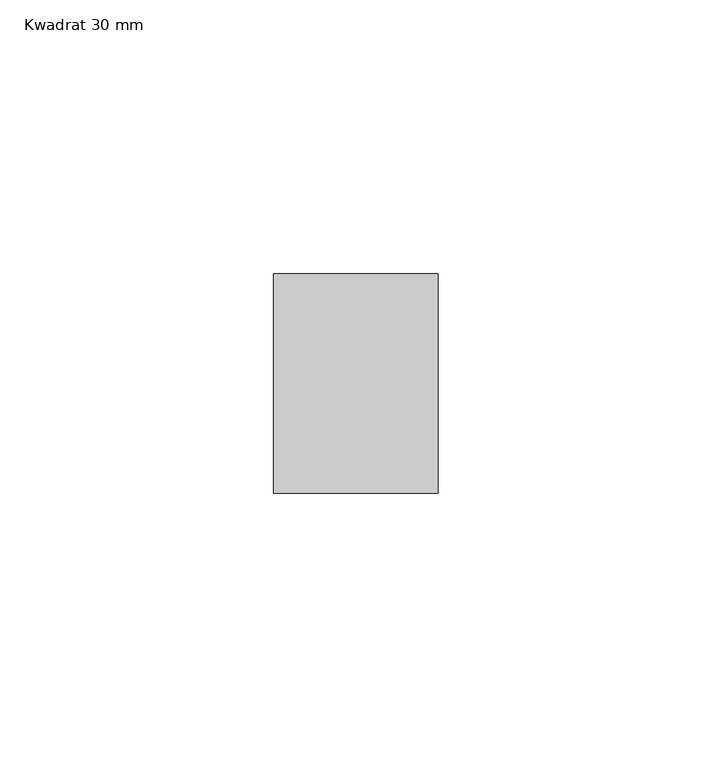
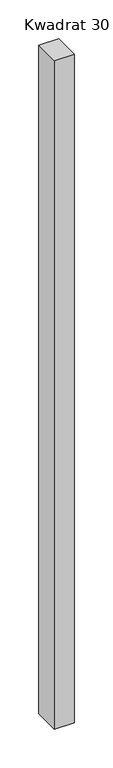
"""IFC4 building model written with IfcOpenShell, lengths in millimetres: member geometry, Kwadrat 30 mm."""

from ifc_helpers import new_model, si_unit, frame, origin, place, context, project, spatial, polyline, outline, extrude, source, transform, mapped, element, save


def kwadrat_30_mm_bdb70a68(model_context):
    return source(origin(), model_context, "Body", "SweptSolid", [
        extrude(outline(polyline([(15.0, 20.0), (15.0, -20.0), (-15.0, -20.0), (-15.0, 20.0), (15.0, 20.0)])), frame((0.0, 0.0, -1055.0), z_axis=(0.0, 0.0, 1.0), x_axis=(1.0, 0.0, 0.0)), (0.0, 0.0, 1.0), 1055.0),
    ])


if __name__ == "__main__":
    model = new_model("IFC4")
    model_context = context("Model", 3, world=origin())
    ifc_project = project(units=[si_unit("LENGTHUNIT", "METRE", prefix="MILLI")], contexts=[model_context])
    site = spatial("IfcSite", under=ifc_project)
    building = spatial("IfcBuilding", under=site)
    placement = place(None, origin())
    kwadrat_30_mm_shape = kwadrat_30_mm_bdb70a68(model_context)
    element("IfcMember", 1, ObjectType="Kwadrat 30 mm", at=placement, inside=building, context=model_context, shape_type="MappedRepresentation", body=[
        mapped(kwadrat_30_mm_shape, transform((0.0, 0.0, 0.0), x_axis=(1.0, 0.0, 0.0), y_axis=(0.0, 1.0, 0.0), z_axis=(0.0, 0.0, 1.0))),
    ])
    save(model, "model.ifc")
